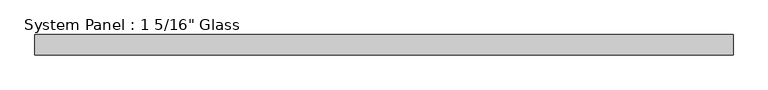
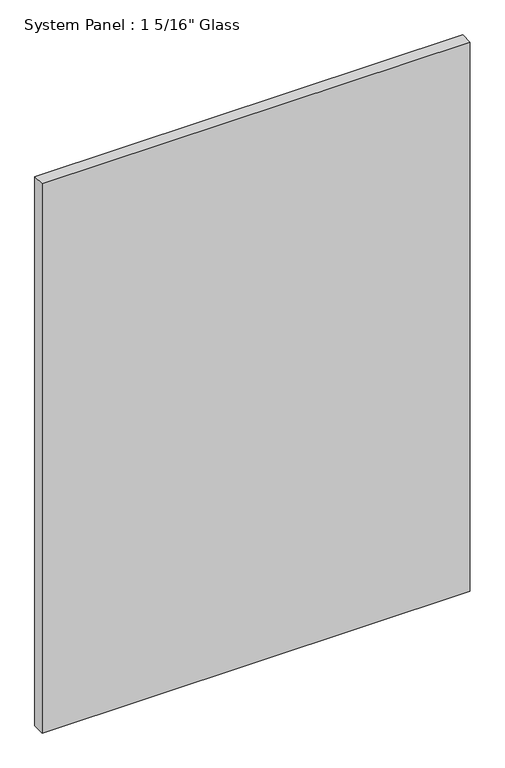
"""IFC4 building model written with IfcOpenShell, lengths in millimetres: plate geometry."""

from ifc_helpers import new_model, si_unit, origin, origin_with_axes, place, context, project, spatial, polyline, outline, extrude, source, transform, mapped, element, save


def plate_bd91b97d(model_context):
    return source(origin(), model_context, "Body", "SweptSolid", [
        extrude(outline(polyline([(571.5, -16.66875), (-571.5, -16.66875), (-571.5, 16.66875), (571.5, 16.66875), (571.5, -16.66875)])), origin_with_axes(), (0.0, 0.0, 1.0), 1549.4),
    ])


if __name__ == "__main__":
    model = new_model("IFC4")
    model_context = context("Model", 3, world=origin())
    ifc_project = project(units=[si_unit("LENGTHUNIT", "METRE", prefix="MILLI")], contexts=[model_context])
    site = spatial("IfcSite", under=ifc_project)
    building = spatial("IfcBuilding", under=site)
    placement = place(None, origin())
    plate_shape = plate_bd91b97d(model_context)
    element("IfcPlate", 1, ObjectType="System Panel : 1 5/16\" Glass", at=placement, inside=building, context=model_context, shape_type="MappedRepresentation", body=[
        mapped(plate_shape, transform((0.0, 0.0, 0.0), x_axis=(1.0, 0.0, 0.0), y_axis=(0.0, 1.0, 0.0), z_axis=(0.0, 0.0, 1.0))),
    ])
    save(model, "model.ifc")
